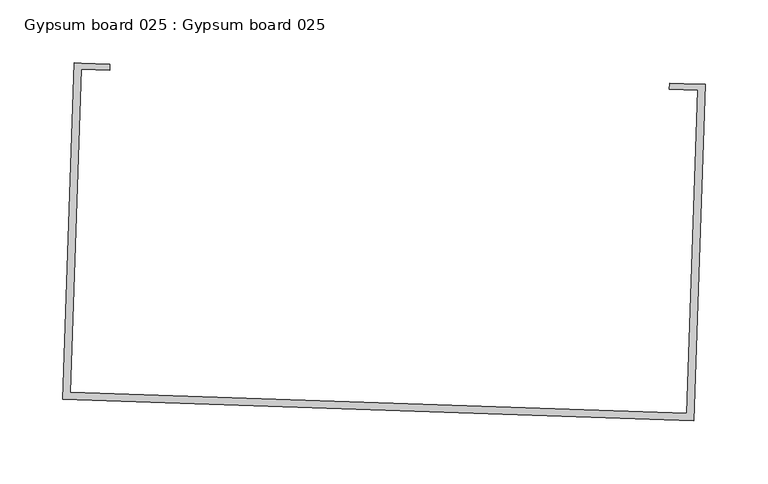
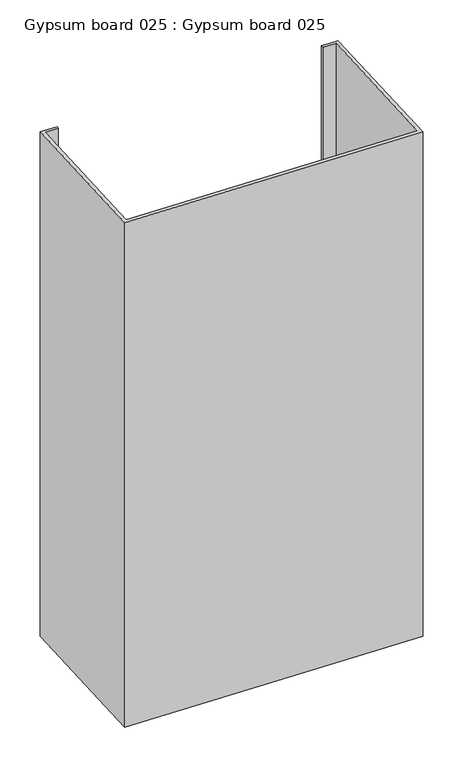
"""IFC4 building model written with IfcOpenShell, lengths in millimetres: proxy geometry, Gypsum board 025 : Gypsum board 025."""

import ifcopenshell
import ifcopenshell.guid

model = None  # the IFC model being written
_history = None  # IfcOwnerHistory: only IFC2X3 demands one
_inside = {}  # id of a spatial element -> (the spatial element, [elements in it])
_under = {}  # id of a project, library or spatial element -> (it, [spatial elements below it])
_declared = {}  # id of a project -> (the project, [libraries it declares])
_typed = {}  # id of a type object -> (the type object, [elements of that type])
_made_of = {}  # id of a material, layer set ... -> (it, [elements and type objects made of it])


def new_model(schema):
    """Start an empty IFC model of exactly this schema.

    Asked for "IFC4X3", IfcOpenShell would pick the latest addendum, in which some entities
    have other attributes; the version numbers below select the first issue.
    IFC2X3 requires an IfcOwnerHistory on every rooted entity: one is made here for all.
    """
    global model, _history
    if schema == "IFC4X3":
        model = ifcopenshell.file(schema_version=(4, 3, 0, 0))
    else:
        model = ifcopenshell.file(schema=schema)
    _inside.clear()
    _under.clear()
    _declared.clear()
    _typed.clear()
    _made_of.clear()
    _history = None
    if model.schema == "IFC2X3":
        org = make("IfcOrganization", Name="unknown")
        user = make(
            "IfcPersonAndOrganization",
            ThePerson=make("IfcPerson", FamilyName="unknown"),
            TheOrganization=org,
        )
        app = make(
            "IfcApplication",
            ApplicationDeveloper=org,
            Version="unknown",
            ApplicationFullName="unknown",
            ApplicationIdentifier="unknown",
        )
        _history = make(
            "IfcOwnerHistory",
            OwningUser=user,
            OwningApplication=app,
            ChangeAction="ADDED",
            CreationDate=0,
        )
    return model


def make(cls, **values):
    """One entity of the class cls with the attributes given. An attribute that is None is left unset."""
    return model.create_entity(
        cls, **{name: value for name, value in values.items() if value is not None}
    )


def rooted(cls, **values):
    """An entity with a GlobalId (a new one), such as an element, a storey or a relation."""
    return make(cls, GlobalId=ifcopenshell.guid.new(), OwnerHistory=_history, **values)


def si_unit(unit_type, name, prefix=None):
    """IfcSIUnit, for example si_unit("LENGTHUNIT", "METRE", prefix="MILLI")."""
    return make("IfcSIUnit", UnitType=unit_type, Prefix=prefix, Name=name)


def assignment(units):
    """IfcUnitAssignment: the units of a project."""
    return None if units is None else make("IfcUnitAssignment", Units=units)


def point(xyz):
    """IfcCartesianPoint."""
    return None if xyz is None else make("IfcCartesianPoint", Coordinates=xyz)


def direction(xyz):
    """IfcDirection."""
    return None if xyz is None else make("IfcDirection", DirectionRatios=xyz)


def frame(location, z_axis=None, x_axis=None):
    """IfcAxis2Placement3D, a coordinate frame: its origin and axes. An axis left out is left unset."""
    return make(
        "IfcAxis2Placement3D",
        Location=point(location),
        Axis=direction(z_axis),
        RefDirection=direction(x_axis),
    )


def origin():
    """The frame at (0, 0, 0) with its axes left unset."""
    return frame((0.0, 0.0, 0.0))


def place(relative_to, where):
    """IfcLocalPlacement: puts the frame where relative to a parent placement (None: the world)."""
    return make(
        "IfcLocalPlacement", PlacementRelTo=relative_to, RelativePlacement=where
    )


def context(
    kind, dimensions, precision=None, world=None, true_north=None, identifier=None
):
    """IfcGeometricRepresentationContext, for example the 3D "Model" context."""
    return make(
        "IfcGeometricRepresentationContext",
        ContextIdentifier=identifier,
        ContextType=kind,
        CoordinateSpaceDimension=dimensions,
        Precision=precision,
        WorldCoordinateSystem=world,
        TrueNorth=true_north,
    )


def project(units=None, contexts=None):
    """IfcProject with its units and contexts."""
    return rooted(
        "IfcProject",
        Name="project",
        RepresentationContexts=contexts,
        UnitsInContext=assignment(units),
    )


def spatial(cls, under=None, at=None, **own):
    """A site, building, storey or space (cls), placed at a placement, below another one or the project."""
    s = rooted(cls, ObjectPlacement=at, **own)
    if under is not None:
        _under.setdefault(under.id(), (under, []))[1].append(s)
    return s


def polyline(points):
    """IfcPolyline through the points."""
    return make("IfcPolyline", Points=[point(p) for p in points])


def outline(outer, holes=None, kind="AREA"):
    """IfcArbitraryClosedProfileDef: a profile drawn as a closed curve; with holes, ...WithVoids."""
    if holes is None:
        return make("IfcArbitraryClosedProfileDef", ProfileType=kind, OuterCurve=outer)
    return make(
        "IfcArbitraryProfileDefWithVoids",
        ProfileType=kind,
        OuterCurve=outer,
        InnerCurves=holes,
    )


def extrude(swept, where, along, depth):
    """IfcExtrudedAreaSolid: the profile swept, set in the frame where, extruded along a direction by depth."""
    return make(
        "IfcExtrudedAreaSolid",
        SweptArea=swept,
        Position=where,
        ExtrudedDirection=direction(along),
        Depth=depth,
    )


def shape(context_of_items, identifier, shape_type, items):
    """IfcShapeRepresentation: the items that make up one representation, for example the "Body"."""
    return make(
        "IfcShapeRepresentation",
        ContextOfItems=context_of_items,
        RepresentationIdentifier=identifier,
        RepresentationType=shape_type,
        Items=items,
    )


def source(mapping_origin, context_of_items, identifier, shape_type, items):
    """IfcRepresentationMap: a shape defined once, which mapped items show again and again."""
    return make(
        "IfcRepresentationMap",
        MappingOrigin=mapping_origin,
        MappedRepresentation=shape(context_of_items, identifier, shape_type, items),
    )


def transform(
    local_origin,
    x_axis=None,
    y_axis=None,
    z_axis=None,
    scale=None,
    scale2=None,
    scale3=None,
    uniform=True,
):
    """IfcCartesianTransformationOperator3D, or its non-uniform kind. x_axis, y_axis, z_axis: its Axis1, 2, 3."""
    if uniform:
        return make(
            "IfcCartesianTransformationOperator3D",
            Axis1=direction(x_axis),
            Axis2=direction(y_axis),
            LocalOrigin=point(local_origin),
            Scale=scale,
            Axis3=direction(z_axis),
        )
    return make(
        "IfcCartesianTransformationOperator3DnonUniform",
        Axis1=direction(x_axis),
        Axis2=direction(y_axis),
        LocalOrigin=point(local_origin),
        Scale=scale,
        Axis3=direction(z_axis),
        Scale2=scale2,
        Scale3=scale3,
    )


def mapped(mapping_source, mapping_target):
    """IfcMappedItem: shows the shape of a source again, moved by a transform."""
    return make(
        "IfcMappedItem", MappingSource=mapping_source, MappingTarget=mapping_target
    )


def made_of(thing, what):
    """Note that an element or type object is made of a material, layer set ...; save() writes the relation."""
    if what is not None:
        _made_of.setdefault(what.id(), (what, []))[1].append(thing)
    return thing


def element(
    cls,
    number,
    at=None,
    inside=None,
    cuts=None,
    type_object=None,
    material=None,
    context=None,
    identifier="Body",
    shape_type=None,
    held_by="IfcProductDefinitionShape",
    body=None,
    shapes=None,
    **own,
):
    """One element of the class cls, such as IfcWall. Its Tag is "e" and its number.

    at: its placement. inside: the storey or other place that contains it. cuts: it is an
    opening in that element (IfcRelVoidsElement). A single representation is given by context,
    identifier, shape_type and body (its items); several are given by shapes. held_by: the class
    of the entity that holds the representations. save() writes the other relations.
    """
    e = rooted(cls, Tag="e%d" % number, ObjectPlacement=at, **own)
    if body is not None:
        shapes = [shape(context, identifier, shape_type, body)]
    if shapes is not None:
        e.Representation = make(held_by, Representations=shapes)
    if inside is not None:
        _inside.setdefault(inside.id(), (inside, []))[1].append(e)
    if cuts is not None:
        rooted(
            "IfcRelVoidsElement", RelatingBuildingElement=cuts, RelatedOpeningElement=e
        )
    if type_object is not None:
        _typed.setdefault(type_object.id(), (type_object, []))[1].append(e)
    return made_of(e, material)


def aggregate(whole, parts):
    """IfcRelAggregates: a whole, such as a stair, and the parts it consists of."""
    return rooted("IfcRelAggregates", RelatingObject=whole, RelatedObjects=parts)


def save(model, path):
    """Write the relations noted so far, then the file.

    IfcRelAggregates (storeys below a building ...), IfcRelContainedInSpatialStructure (elements
    in a storey), IfcRelDefinesByType, IfcRelAssociatesMaterial and IfcRelDeclares: one each for
    every whole, place, type object, material and project.
    """
    for whole, parts in _under.values():
        aggregate(whole, parts)
    for where, things in _inside.values():
        rooted(
            "IfcRelContainedInSpatialStructure",
            RelatedElements=things,
            RelatingStructure=where,
        )
    for kind, things in _typed.values():
        rooted("IfcRelDefinesByType", RelatedObjects=things, RelatingType=kind)
    for what, things in _made_of.values():
        rooted("IfcRelAssociatesMaterial", RelatedObjects=things, RelatingMaterial=what)
    for by, libraries in _declared.values():
        rooted("IfcRelDeclares", RelatingContext=by, RelatedDefinitions=libraries)
    model.write(path)


def gypsum_board_025_gypsum_board_025_21c247bb(model_context):
    return source(origin(), model_context, "Body", "SweptSolid", [
        extrude(outline(polyline([(34554.8092975, -15551.522683), (34577.3994499, -15552.2957588), (34577.2377918, -15557.0195935), (34554.6476393, -15556.2465177), (34545.8573326, -15813.1092755), (35036.0338919, -15829.8840015), (35044.8241989, -15573.0212437), (35022.2340465, -15572.248168), (35022.3957046, -15567.5243333), (35044.985857, -15568.2974089), (35050.5758316, -15568.4887078), (35041.4325674, -15835.6652752), (34540.0760589, -15818.5079511), (34549.2193229, -15551.3313839), (34554.8092975, -15551.522683)])), frame((0.0, 0.0, 1597.975708), z_axis=(0.0, 0.0, 1.0), x_axis=(1.0, 0.0, 0.0)), (0.0, 0.0, 1.0), 914.4),
    ])


if __name__ == "__main__":
    model = new_model("IFC4")
    model_context = context("Model", 3, world=origin())
    ifc_project = project(units=[si_unit("LENGTHUNIT", "METRE", prefix="MILLI")], contexts=[model_context])
    site = spatial("IfcSite", under=ifc_project)
    building = spatial("IfcBuilding", under=site)
    placement = place(None, origin())
    gypsum_board_025_gypsum_board_025_shape = gypsum_board_025_gypsum_board_025_21c247bb(model_context)
    element("IfcBuildingElementProxy", 1, Name="Gypsum board 025 : Gypsum board 025", ObjectType="Gypsum board 025 : Gypsum board 025", at=placement, inside=building, context=model_context, shape_type="MappedRepresentation", body=[
        mapped(gypsum_board_025_gypsum_board_025_shape, transform((0.0, 0.0, 0.0), x_axis=(1.0, 0.0, 0.0), y_axis=(0.0, 1.0, 0.0), z_axis=(0.0, 0.0, 1.0))),
    ])
    save(model, "model.ifc")
